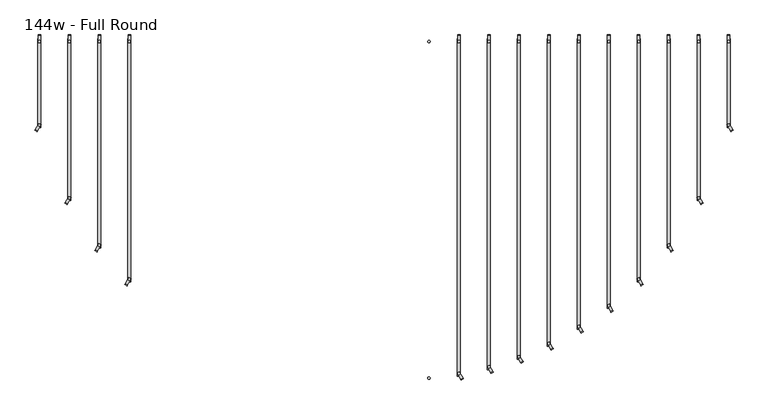
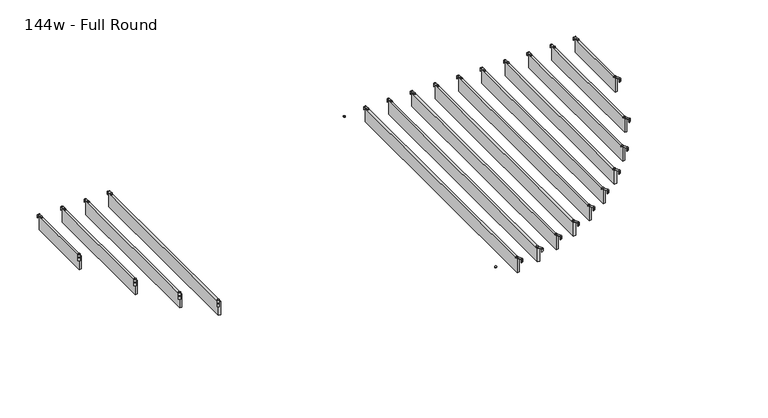
"""IFC4 building model written with IfcOpenShell, lengths in millimetres: furniture geometry, 144w - Full Round."""

from ifc_helpers import new_model, si_unit, point, frame, frame_2d, origin, place, context, project, spatial, polyline, circle_curve, trimmed, segment, composite_curve, outline, extrude, source, transform, mapped, element, save


def furniture_144w_full_round_fead727c(model_context):
    return source(origin(), model_context, "Body", "SweptSolid", [
        extrude(outline(composite_curve([segment(trimmed(circle_curve(frame_2d((-1.0160034, 0.0159998)), 1.016), [point((-1.0160034, -1.0000002))], [point((-3.4e-06, 0.0159998))], True, "CARTESIAN"), True, "CONTINUOUS"), segment(polyline([(-3.4e-06, 0.0159998), (-3.4e-06, 36.778517), (2.5329992, 36.778517), (2.5329992, 0.0229991)]), True, "CONTINUOUS"), segment(trimmed(circle_curve(frame_2d((-1.1500008, 0.0229991)), 3.683), [point((2.5329992, 0.0229991))], [point((-1.1500008, -3.660001))], False, "CARTESIAN"), True, "CONTINUOUS"), segment(polyline([(-1.1500008, -3.660001), (-19.0498319, -3.660001), (-19.0498319, -1.0000002), (-1.0160034, -1.0000002)]), True, "CONTINUOUS")], self_intersect=False)), frame((-1724.1208344, 1764.093626, 2438.4), z_axis=(-0.8660254037843622, 0.5000000000001326, 0.0), x_axis=(0.0, 0.0, 1.0)), (0.0, 0.0, 1.0), 13.0000002),
        extrude(outline(composite_curve([segment(trimmed(circle_curve(frame_2d((-1714.5, 2218.9346)), 5.9838099), [point((-1714.5, 2212.9507901))], [point((-1714.5, 2224.9184099))], False, "CARTESIAN"), True, "CONTINUOUS"), segment(trimmed(circle_curve(frame_2d((-1714.5, 2218.9346)), 5.9838099), [point((-1714.5, 2224.9184099))], [point((-1714.5, 2212.9507901))], False, "CARTESIAN"), True, "CONTINUOUS")], self_intersect=False)), frame((0.0, 0.0, 2440.9329992), z_axis=(0.0, 0.0, 1.0), x_axis=(1.0, 0.0, 0.0)), (0.0, 0.0, 1.0), 3.4400008),
        extrude(outline(composite_curve([segment(trimmed(circle_curve(frame_2d((-1714.5, 1793.7574)), 5.9838099), [point((-1714.5, 1799.7412099))], [point((-1714.5, 1787.7735901))], False, "CARTESIAN"), True, "CONTINUOUS"), segment(trimmed(circle_curve(frame_2d((-1714.5, 1793.7574)), 5.9838099), [point((-1714.5, 1787.7735901))], [point((-1714.5, 1799.7412099))], False, "CARTESIAN"), True, "CONTINUOUS")], self_intersect=False)), frame((0.0, 0.0, 2440.9329992), z_axis=(0.0, 0.0, 1.0), x_axis=(1.0, 0.0, 0.0)), (0.0, 0.0, 1.0), 3.4400008),
        extrude(outline(composite_curve([segment(polyline([(2253.0946, 2419.2231711), (2250.4345993, 2419.2231711), (2250.4345993, 2437.2635571)]), True, "CONTINUOUS"), segment(trimmed(circle_curve(frame_2d((2249.4251568, 2437.2635571)), 1.0094425), [point((2250.4345993, 2437.2635571))], [point((2249.4251568, 2438.2729997))], True, "CARTESIAN"), True, "CONTINUOUS"), segment(polyline([(2249.4251568, 2438.2729997), (2212.4346, 2438.2729997), (2212.4346, 2440.9329992), (2249.4116, 2440.9329992)]), True, "CONTINUOUS"), segment(trimmed(circle_curve(frame_2d((2249.4116, 2437.2499992)), 3.683), [point((2249.4116, 2440.9329992))], [point((2253.0946, 2437.2499992))], False, "CARTESIAN"), True, "CONTINUOUS"), segment(polyline([(2253.0946, 2437.2499992), (2253.0946, 2419.2231711)]), True, "CONTINUOUS")], self_intersect=False)), frame((-1720.9930003, 0.0, 0.0), z_axis=(1.0, 0.0, 0.0), x_axis=(0.0, 1.0, 0.0)), (0.0, 0.0, 1.0), 13.0),
        extrude(outline(polyline([(-1721.993, 1780.0574), (-1721.993, 2232.6346), (-1707.007, 2232.6346), (-1707.007, 1780.0574), (-1721.993, 1780.0574)])), frame((0.0, 0.0, 2346.198), z_axis=(0.0, 0.0, 1.0), x_axis=(1.0, 0.0, 0.0)), (0.0, 0.0, 1.0), 92.202),
        extrude(outline(composite_curve([segment(trimmed(circle_curve(frame_2d((-1.0160034, 0.0159998)), 1.016), [point((-1.0160034, -1.0000002))], [point((-3.4e-06, 0.0159998))], True, "CARTESIAN"), True, "CONTINUOUS"), segment(polyline([(-3.4e-06, 0.0159998), (-3.4e-06, 36.778517), (2.5329992, 36.778517), (2.5329992, 0.0229991)]), True, "CONTINUOUS"), segment(trimmed(circle_curve(frame_2d((-1.1500008, 0.0229991)), 3.683), [point((2.5329992, 0.0229991))], [point((-1.1500008, -3.660001))], False, "CARTESIAN"), True, "CONTINUOUS"), segment(polyline([(-1.1500008, -3.660001), (-19.0498319, -3.660001), (-19.0498319, -1.0000002), (-1.0160034, -1.0000002)]), True, "CONTINUOUS")], self_intersect=False)), frame((-1571.7208344, 1392.618626, 2438.4), z_axis=(-0.8660254037843622, 0.5000000000001326, 0.0), x_axis=(0.0, 0.0, 1.0)), (0.0, 0.0, 1.0), 13.0000002),
        extrude(outline(composite_curve([segment(trimmed(circle_curve(frame_2d((-1562.1, 2218.9346)), 5.9838099), [point((-1562.1, 2212.9507901))], [point((-1562.1, 2224.9184099))], False, "CARTESIAN"), True, "CONTINUOUS"), segment(trimmed(circle_curve(frame_2d((-1562.1, 2218.9346)), 5.9838099), [point((-1562.1, 2224.9184099))], [point((-1562.1, 2212.9507901))], False, "CARTESIAN"), True, "CONTINUOUS")], self_intersect=False)), frame((0.0, 0.0, 2440.9329992), z_axis=(0.0, 0.0, 1.0), x_axis=(1.0, 0.0, 0.0)), (0.0, 0.0, 1.0), 3.4400008),
        extrude(outline(composite_curve([segment(trimmed(circle_curve(frame_2d((-1562.1, 1422.2824)), 5.9838099), [point((-1562.1, 1428.2662099))], [point((-1562.1, 1416.2985901))], False, "CARTESIAN"), True, "CONTINUOUS"), segment(trimmed(circle_curve(frame_2d((-1562.1, 1422.2824)), 5.9838099), [point((-1562.1, 1416.2985901))], [point((-1562.1, 1428.2662099))], False, "CARTESIAN"), True, "CONTINUOUS")], self_intersect=False)), frame((0.0, 0.0, 2440.9329992), z_axis=(0.0, 0.0, 1.0), x_axis=(1.0, 0.0, 0.0)), (0.0, 0.0, 1.0), 3.4400008),
        extrude(outline(composite_curve([segment(polyline([(2253.0946, 2419.2231711), (2250.4345993, 2419.2231711), (2250.4345993, 2437.2635571)]), True, "CONTINUOUS"), segment(trimmed(circle_curve(frame_2d((2249.4251568, 2437.2635571)), 1.0094425), [point((2250.4345993, 2437.2635571))], [point((2249.4251568, 2438.2729997))], True, "CARTESIAN"), True, "CONTINUOUS"), segment(polyline([(2249.4251568, 2438.2729997), (2212.4346, 2438.2729997), (2212.4346, 2440.9329992), (2249.4116, 2440.9329992)]), True, "CONTINUOUS"), segment(trimmed(circle_curve(frame_2d((2249.4116, 2437.2499992)), 3.683), [point((2249.4116, 2440.9329992))], [point((2253.0946, 2437.2499992))], False, "CARTESIAN"), True, "CONTINUOUS"), segment(polyline([(2253.0946, 2437.2499992), (2253.0946, 2419.2231711)]), True, "CONTINUOUS")], self_intersect=False)), frame((-1568.5930003, 0.0, 0.0), z_axis=(1.0, 0.0, 0.0), x_axis=(0.0, 1.0, 0.0)), (0.0, 0.0, 1.0), 13.0),
        extrude(outline(polyline([(-1569.593, 1408.5824), (-1569.593, 2232.6346), (-1554.607, 2232.6346), (-1554.607, 1408.5824), (-1569.593, 1408.5824)])), frame((0.0, 0.0, 2346.198), z_axis=(0.0, 0.0, 1.0), x_axis=(1.0, 0.0, 0.0)), (0.0, 0.0, 1.0), 92.202),
        extrude(outline(composite_curve([segment(trimmed(circle_curve(frame_2d((-1.0160034, 0.0159998)), 1.016), [point((-1.0160034, -1.0000002))], [point((-3.4e-06, 0.0159998))], True, "CARTESIAN"), True, "CONTINUOUS"), segment(polyline([(-3.4e-06, 0.0159998), (-3.4e-06, 36.778517), (2.5329992, 36.778517), (2.5329992, 0.0229991)]), True, "CONTINUOUS"), segment(trimmed(circle_curve(frame_2d((-1.1500008, 0.0229991)), 3.683), [point((2.5329992, 0.0229991))], [point((-1.1500008, -3.660001))], False, "CARTESIAN"), True, "CONTINUOUS"), segment(polyline([(-1.1500008, -3.660001), (-19.0498319, -3.660001), (-19.0498319, -1.0000002), (-1.0160034, -1.0000002)]), True, "CONTINUOUS")], self_intersect=False)), frame((-1419.3208344, 1152.131426, 2438.4), z_axis=(-0.8660254037843622, 0.5000000000001326, 0.0), x_axis=(0.0, 0.0, 1.0)), (0.0, 0.0, 1.0), 13.0000002),
        extrude(outline(composite_curve([segment(trimmed(circle_curve(frame_2d((-1409.7, 2218.9346)), 5.9838099), [point((-1409.7, 2212.9507901))], [point((-1409.7, 2224.9184099))], False, "CARTESIAN"), True, "CONTINUOUS"), segment(trimmed(circle_curve(frame_2d((-1409.7, 2218.9346)), 5.9838099), [point((-1409.7, 2224.9184099))], [point((-1409.7, 2212.9507901))], False, "CARTESIAN"), True, "CONTINUOUS")], self_intersect=False)), frame((0.0, 0.0, 2440.9329992), z_axis=(0.0, 0.0, 1.0), x_axis=(1.0, 0.0, 0.0)), (0.0, 0.0, 1.0), 3.4400008),
        extrude(outline(composite_curve([segment(trimmed(circle_curve(frame_2d((-1409.7, 1181.7952)), 5.9838099), [point((-1409.7, 1187.7790099))], [point((-1409.7, 1175.8113901))], False, "CARTESIAN"), True, "CONTINUOUS"), segment(trimmed(circle_curve(frame_2d((-1409.7, 1181.7952)), 5.9838099), [point((-1409.7, 1175.8113901))], [point((-1409.7, 1187.7790099))], False, "CARTESIAN"), True, "CONTINUOUS")], self_intersect=False)), frame((0.0, 0.0, 2440.9329992), z_axis=(0.0, 0.0, 1.0), x_axis=(1.0, 0.0, 0.0)), (0.0, 0.0, 1.0), 3.4400008),
        extrude(outline(composite_curve([segment(polyline([(2253.0946, 2419.2231711), (2250.4345993, 2419.2231711), (2250.4345993, 2437.2635571)]), True, "CONTINUOUS"), segment(trimmed(circle_curve(frame_2d((2249.4251568, 2437.2635571)), 1.0094425), [point((2250.4345993, 2437.2635571))], [point((2249.4251568, 2438.2729997))], True, "CARTESIAN"), True, "CONTINUOUS"), segment(polyline([(2249.4251568, 2438.2729997), (2212.4346, 2438.2729997), (2212.4346, 2440.9329992), (2249.4116, 2440.9329992)]), True, "CONTINUOUS"), segment(trimmed(circle_curve(frame_2d((2249.4116, 2437.2499992)), 3.683), [point((2249.4116, 2440.9329992))], [point((2253.0946, 2437.2499992))], False, "CARTESIAN"), True, "CONTINUOUS"), segment(polyline([(2253.0946, 2437.2499992), (2253.0946, 2419.2231711)]), True, "CONTINUOUS")], self_intersect=False)), frame((-1416.1930003, 0.0, 0.0), z_axis=(1.0, 0.0, 0.0), x_axis=(0.0, 1.0, 0.0)), (0.0, 0.0, 1.0), 13.0),
        extrude(outline(polyline([(-1417.193, 1168.0952), (-1417.193, 2232.6346), (-1402.207, 2232.6346), (-1402.207, 1168.0952), (-1417.193, 1168.0952)])), frame((0.0, 0.0, 2346.198), z_axis=(0.0, 0.0, 1.0), x_axis=(1.0, 0.0, 0.0)), (0.0, 0.0, 1.0), 92.202),
        extrude(outline(composite_curve([segment(trimmed(circle_curve(frame_2d((-1.0160034, 0.0159998)), 1.016), [point((-1.0160034, -1.0000002))], [point((-3.4e-06, 0.0159998))], True, "CARTESIAN"), True, "CONTINUOUS"), segment(polyline([(-3.4e-06, 0.0159998), (-3.4e-06, 36.778517), (2.5329992, 36.778517), (2.5329992, 0.0229991)]), True, "CONTINUOUS"), segment(trimmed(circle_curve(frame_2d((-1.1500008, 0.0229991)), 3.683), [point((2.5329992, 0.0229991))], [point((-1.1500008, -3.660001))], False, "CARTESIAN"), True, "CONTINUOUS"), segment(polyline([(-1.1500008, -3.660001), (-19.0498319, -3.660001), (-19.0498319, -1.0000002), (-1.0160034, -1.0000002)]), True, "CONTINUOUS")], self_intersect=False)), frame((-1266.9208344, 978.827226, 2438.4), z_axis=(-0.8660254037843622, 0.5000000000001326, 0.0), x_axis=(0.0, 0.0, 1.0)), (0.0, 0.0, 1.0), 13.0000002),
        extrude(outline(composite_curve([segment(trimmed(circle_curve(frame_2d((-1257.3, 2218.9346)), 5.9838099), [point((-1257.3, 2212.9507901))], [point((-1257.3, 2224.9184099))], False, "CARTESIAN"), True, "CONTINUOUS"), segment(trimmed(circle_curve(frame_2d((-1257.3, 2218.9346)), 5.9838099), [point((-1257.3, 2224.9184099))], [point((-1257.3, 2212.9507901))], False, "CARTESIAN"), True, "CONTINUOUS")], self_intersect=False)), frame((0.0, 0.0, 2440.9329992), z_axis=(0.0, 0.0, 1.0), x_axis=(1.0, 0.0, 0.0)), (0.0, 0.0, 1.0), 3.4400008),
        extrude(outline(composite_curve([segment(trimmed(circle_curve(frame_2d((-1257.3, 1008.491)), 5.9838099), [point((-1257.3, 1014.4748099))], [point((-1257.3, 1002.5071901))], False, "CARTESIAN"), True, "CONTINUOUS"), segment(trimmed(circle_curve(frame_2d((-1257.3, 1008.491)), 5.9838099), [point((-1257.3, 1002.5071901))], [point((-1257.3, 1014.4748099))], False, "CARTESIAN"), True, "CONTINUOUS")], self_intersect=False)), frame((0.0, 0.0, 2440.9329992), z_axis=(0.0, 0.0, 1.0), x_axis=(1.0, 0.0, 0.0)), (0.0, 0.0, 1.0), 3.4400008),
        extrude(outline(composite_curve([segment(polyline([(2253.0946, 2419.2231711), (2250.4345993, 2419.2231711), (2250.4345993, 2437.2635571)]), True, "CONTINUOUS"), segment(trimmed(circle_curve(frame_2d((2249.4251568, 2437.2635571)), 1.0094425), [point((2250.4345993, 2437.2635571))], [point((2249.4251568, 2438.2729997))], True, "CARTESIAN"), True, "CONTINUOUS"), segment(polyline([(2249.4251568, 2438.2729997), (2212.4346, 2438.2729997), (2212.4346, 2440.9329992), (2249.4116, 2440.9329992)]), True, "CONTINUOUS"), segment(trimmed(circle_curve(frame_2d((2249.4116, 2437.2499992)), 3.683), [point((2249.4116, 2440.9329992))], [point((2253.0946, 2437.2499992))], False, "CARTESIAN"), True, "CONTINUOUS"), segment(polyline([(2253.0946, 2437.2499992), (2253.0946, 2419.2231711)]), True, "CONTINUOUS")], self_intersect=False)), frame((-1263.7930003, 0.0, 0.0), z_axis=(1.0, 0.0, 0.0), x_axis=(0.0, 1.0, 0.0)), (0.0, 0.0, 1.0), 13.0),
        extrude(outline(polyline([(-1264.793, 994.791), (-1264.793, 2232.6346), (-1249.807, 2232.6346), (-1249.807, 994.791), (-1264.793, 994.791)])), frame((0.0, 0.0, 2346.198), z_axis=(0.0, 0.0, 1.0), x_axis=(1.0, 0.0, 0.0)), (0.0, 0.0, 1.0), 92.202),
        extrude(outline(composite_curve([segment(polyline([(-1.0160034, 1.0000002), (-19.0498319, 1.0000002), (-19.0498319, 3.660001), (-1.1500008, 3.660001)]), True, "CONTINUOUS"), segment(trimmed(circle_curve(frame_2d((-1.1500008, -0.0229991)), 3.683), [point((-1.1500008, 3.660001))], [point((2.5329992, -0.0229991))], False, "CARTESIAN"), True, "CONTINUOUS"), segment(polyline([(2.5329992, -0.0229991), (2.5329992, -36.778517), (-3.4e-06, -36.778517), (-3.4e-06, -0.0159998)]), True, "CONTINUOUS"), segment(trimmed(circle_curve(frame_2d((-1.0160034, -0.0159998)), 1.016), [point((-3.4e-06, -0.0159998))], [point((-1.0160034, 1.0000002))], True, "CARTESIAN"), True, "CONTINUOUS")], self_intersect=False)), frame((1800.3208344, 1764.093626, 2438.4), z_axis=(0.8660254037843622, 0.5000000000001326, 0.0), x_axis=(0.0, 0.0, 1.0)), (0.0, 0.0, 1.0), 13.0000002),
        extrude(outline(composite_curve([segment(trimmed(circle_curve(frame_2d((1790.7, 2218.9346)), 5.9838099), [point((1790.7, 2212.9507901))], [point((1790.7, 2224.9184099))], False, "CARTESIAN"), True, "CONTINUOUS"), segment(trimmed(circle_curve(frame_2d((1790.7, 2218.9346)), 5.9838099), [point((1790.7, 2224.9184099))], [point((1790.7, 2212.9507901))], False, "CARTESIAN"), True, "CONTINUOUS")], self_intersect=False)), frame((0.0, 0.0, 2440.9329992), z_axis=(0.0, 0.0, 1.0), x_axis=(1.0, 0.0, 0.0)), (0.0, 0.0, 1.0), 3.4400008),
        extrude(outline(composite_curve([segment(trimmed(circle_curve(frame_2d((1790.7, 1793.7574)), 5.9838099), [point((1790.7, 1799.7412099))], [point((1790.7, 1787.7735901))], False, "CARTESIAN"), True, "CONTINUOUS"), segment(trimmed(circle_curve(frame_2d((1790.7, 1793.7574)), 5.9838099), [point((1790.7, 1787.7735901))], [point((1790.7, 1799.7412099))], False, "CARTESIAN"), True, "CONTINUOUS")], self_intersect=False)), frame((0.0, 0.0, 2440.9329992), z_axis=(0.0, 0.0, 1.0), x_axis=(1.0, 0.0, 0.0)), (0.0, 0.0, 1.0), 3.4400008),
        extrude(outline(composite_curve([segment(polyline([(2253.0946, 2419.2231711), (2250.4345993, 2419.2231711), (2250.4345993, 2437.2635571)]), True, "CONTINUOUS"), segment(trimmed(circle_curve(frame_2d((2249.4251568, 2437.2635571)), 1.0094425), [point((2250.4345993, 2437.2635571))], [point((2249.4251568, 2438.2729997))], True, "CARTESIAN"), True, "CONTINUOUS"), segment(polyline([(2249.4251568, 2438.2729997), (2212.4346, 2438.2729997), (2212.4346, 2440.9329992), (2249.4116, 2440.9329992)]), True, "CONTINUOUS"), segment(trimmed(circle_curve(frame_2d((2249.4116, 2437.2499992)), 3.683), [point((2249.4116, 2440.9329992))], [point((2253.0946, 2437.2499992))], False, "CARTESIAN"), True, "CONTINUOUS"), segment(polyline([(2253.0946, 2437.2499992), (2253.0946, 2419.2231711)]), True, "CONTINUOUS")], self_intersect=False)), frame((1784.1930003, 0.0, 0.0), z_axis=(1.0, 0.0, 0.0), x_axis=(0.0, 1.0, 0.0)), (0.0, 0.0, 1.0), 13.0),
        extrude(outline(polyline([(1798.193, 1780.0574), (1783.207, 1780.0574), (1783.207, 2232.6346), (1798.193, 2232.6346), (1798.193, 1780.0574)])), frame((0.0, 0.0, 2346.198), z_axis=(0.0, 0.0, 1.0), x_axis=(1.0, 0.0, 0.0)), (0.0, 0.0, 1.0), 92.202),
        extrude(outline(composite_curve([segment(polyline([(-1.0160034, 1.0000002), (-19.0498319, 1.0000002), (-19.0498319, 3.660001), (-1.1500008, 3.660001)]), True, "CONTINUOUS"), segment(trimmed(circle_curve(frame_2d((-1.1500008, -0.0229991)), 3.683), [point((-1.1500008, 3.660001))], [point((2.5329992, -0.0229991))], False, "CARTESIAN"), True, "CONTINUOUS"), segment(polyline([(2.5329992, -0.0229991), (2.5329992, -36.778517), (-3.4e-06, -36.778517), (-3.4e-06, -0.0159998)]), True, "CONTINUOUS"), segment(trimmed(circle_curve(frame_2d((-1.0160034, -0.0159998)), 1.016), [point((-3.4e-06, -0.0159998))], [point((-1.0160034, 1.0000002))], True, "CARTESIAN"), True, "CONTINUOUS")], self_intersect=False)), frame((1647.9208344, 1392.618626, 2438.4), z_axis=(0.8660254037843622, 0.5000000000001326, 0.0), x_axis=(0.0, 0.0, 1.0)), (0.0, 0.0, 1.0), 13.0000002),
        extrude(outline(composite_curve([segment(trimmed(circle_curve(frame_2d((1638.3, 2218.9346)), 5.9838099), [point((1638.3, 2212.9507901))], [point((1638.3, 2224.9184099))], False, "CARTESIAN"), True, "CONTINUOUS"), segment(trimmed(circle_curve(frame_2d((1638.3, 2218.9346)), 5.9838099), [point((1638.3, 2224.9184099))], [point((1638.3, 2212.9507901))], False, "CARTESIAN"), True, "CONTINUOUS")], self_intersect=False)), frame((0.0, 0.0, 2440.9329992), z_axis=(0.0, 0.0, 1.0), x_axis=(1.0, 0.0, 0.0)), (0.0, 0.0, 1.0), 3.4400008),
        extrude(outline(composite_curve([segment(trimmed(circle_curve(frame_2d((1638.3, 1422.2824)), 5.9838099), [point((1638.3, 1428.2662099))], [point((1638.3, 1416.2985901))], False, "CARTESIAN"), True, "CONTINUOUS"), segment(trimmed(circle_curve(frame_2d((1638.3, 1422.2824)), 5.9838099), [point((1638.3, 1416.2985901))], [point((1638.3, 1428.2662099))], False, "CARTESIAN"), True, "CONTINUOUS")], self_intersect=False)), frame((0.0, 0.0, 2440.9329992), z_axis=(0.0, 0.0, 1.0), x_axis=(1.0, 0.0, 0.0)), (0.0, 0.0, 1.0), 3.4400008),
        extrude(outline(composite_curve([segment(polyline([(2253.0946, 2419.2231711), (2250.4345993, 2419.2231711), (2250.4345993, 2437.2635571)]), True, "CONTINUOUS"), segment(trimmed(circle_curve(frame_2d((2249.4251568, 2437.2635571)), 1.0094425), [point((2250.4345993, 2437.2635571))], [point((2249.4251568, 2438.2729997))], True, "CARTESIAN"), True, "CONTINUOUS"), segment(polyline([(2249.4251568, 2438.2729997), (2212.4346, 2438.2729997), (2212.4346, 2440.9329992), (2249.4116, 2440.9329992)]), True, "CONTINUOUS"), segment(trimmed(circle_curve(frame_2d((2249.4116, 2437.2499992)), 3.683), [point((2249.4116, 2440.9329992))], [point((2253.0946, 2437.2499992))], False, "CARTESIAN"), True, "CONTINUOUS"), segment(polyline([(2253.0946, 2437.2499992), (2253.0946, 2419.2231711)]), True, "CONTINUOUS")], self_intersect=False)), frame((1631.7930003, 0.0, 0.0), z_axis=(1.0, 0.0, 0.0), x_axis=(0.0, 1.0, 0.0)), (0.0, 0.0, 1.0), 13.0),
        extrude(outline(polyline([(1645.793, 1408.5824), (1630.807, 1408.5824), (1630.807, 2232.6346), (1645.793, 2232.6346), (1645.793, 1408.5824)])), frame((0.0, 0.0, 2346.198), z_axis=(0.0, 0.0, 1.0), x_axis=(1.0, 0.0, 0.0)), (0.0, 0.0, 1.0), 92.202),
        extrude(outline(composite_curve([segment(polyline([(-1.0160034, 1.0000002), (-19.0498319, 1.0000002), (-19.0498319, 3.660001), (-1.1500008, 3.660001)]), True, "CONTINUOUS"), segment(trimmed(circle_curve(frame_2d((-1.1500008, -0.0229991)), 3.683), [point((-1.1500008, 3.660001))], [point((2.5329992, -0.0229991))], False, "CARTESIAN"), True, "CONTINUOUS"), segment(polyline([(2.5329992, -0.0229991), (2.5329992, -36.778517), (-3.4e-06, -36.778517), (-3.4e-06, -0.0159998)]), True, "CONTINUOUS"), segment(trimmed(circle_curve(frame_2d((-1.0160034, -0.0159998)), 1.016), [point((-3.4e-06, -0.0159998))], [point((-1.0160034, 1.0000002))], True, "CARTESIAN"), True, "CONTINUOUS")], self_intersect=False)), frame((1495.5208344, 1152.131426, 2438.4), z_axis=(0.8660254037843622, 0.5000000000001326, 0.0), x_axis=(0.0, 0.0, 1.0)), (0.0, 0.0, 1.0), 13.0000002),
        extrude(outline(composite_curve([segment(trimmed(circle_curve(frame_2d((1485.9, 2218.9346)), 5.9838099), [point((1485.9, 2212.9507901))], [point((1485.9, 2224.9184099))], False, "CARTESIAN"), True, "CONTINUOUS"), segment(trimmed(circle_curve(frame_2d((1485.9, 2218.9346)), 5.9838099), [point((1485.9, 2224.9184099))], [point((1485.9, 2212.9507901))], False, "CARTESIAN"), True, "CONTINUOUS")], self_intersect=False)), frame((0.0, 0.0, 2440.9329992), z_axis=(0.0, 0.0, 1.0), x_axis=(1.0, 0.0, 0.0)), (0.0, 0.0, 1.0), 3.4400008),
        extrude(outline(composite_curve([segment(trimmed(circle_curve(frame_2d((1485.9, 1181.7952)), 5.9838099), [point((1485.9, 1187.7790099))], [point((1485.9, 1175.8113901))], False, "CARTESIAN"), True, "CONTINUOUS"), segment(trimmed(circle_curve(frame_2d((1485.9, 1181.7952)), 5.9838099), [point((1485.9, 1175.8113901))], [point((1485.9, 1187.7790099))], False, "CARTESIAN"), True, "CONTINUOUS")], self_intersect=False)), frame((0.0, 0.0, 2440.9329992), z_axis=(0.0, 0.0, 1.0), x_axis=(1.0, 0.0, 0.0)), (0.0, 0.0, 1.0), 3.4400008),
        extrude(outline(composite_curve([segment(polyline([(2253.0946, 2419.2231711), (2250.4345993, 2419.2231711), (2250.4345993, 2437.2635571)]), True, "CONTINUOUS"), segment(trimmed(circle_curve(frame_2d((2249.4251568, 2437.2635571)), 1.0094425), [point((2250.4345993, 2437.2635571))], [point((2249.4251568, 2438.2729997))], True, "CARTESIAN"), True, "CONTINUOUS"), segment(polyline([(2249.4251568, 2438.2729997), (2212.4346, 2438.2729997), (2212.4346, 2440.9329992), (2249.4116, 2440.9329992)]), True, "CONTINUOUS"), segment(trimmed(circle_curve(frame_2d((2249.4116, 2437.2499992)), 3.683), [point((2249.4116, 2440.9329992))], [point((2253.0946, 2437.2499992))], False, "CARTESIAN"), True, "CONTINUOUS"), segment(polyline([(2253.0946, 2437.2499992), (2253.0946, 2419.2231711)]), True, "CONTINUOUS")], self_intersect=False)), frame((1479.3930003, 0.0, 0.0), z_axis=(1.0, 0.0, 0.0), x_axis=(0.0, 1.0, 0.0)), (0.0, 0.0, 1.0), 13.0),
        extrude(outline(polyline([(1493.393, 1168.0952), (1478.407, 1168.0952), (1478.407, 2232.6346), (1493.393, 2232.6346), (1493.393, 1168.0952)])), frame((0.0, 0.0, 2346.198), z_axis=(0.0, 0.0, 1.0), x_axis=(1.0, 0.0, 0.0)), (0.0, 0.0, 1.0), 92.202),
        extrude(outline(composite_curve([segment(polyline([(-1.0160034, 1.0000002), (-19.0498319, 1.0000002), (-19.0498319, 3.660001), (-1.1500008, 3.660001)]), True, "CONTINUOUS"), segment(trimmed(circle_curve(frame_2d((-1.1500008, -0.0229991)), 3.683), [point((-1.1500008, 3.660001))], [point((2.5329992, -0.0229991))], False, "CARTESIAN"), True, "CONTINUOUS"), segment(polyline([(2.5329992, -0.0229991), (2.5329992, -36.778517), (-3.4e-06, -36.778517), (-3.4e-06, -0.0159998)]), True, "CONTINUOUS"), segment(trimmed(circle_curve(frame_2d((-1.0160034, -0.0159998)), 1.016), [point((-3.4e-06, -0.0159998))], [point((-1.0160034, 1.0000002))], True, "CARTESIAN"), True, "CONTINUOUS")], self_intersect=False)), frame((1343.1208344, 978.827226, 2438.4), z_axis=(0.8660254037843622, 0.5000000000001326, 0.0), x_axis=(0.0, 0.0, 1.0)), (0.0, 0.0, 1.0), 13.0000002),
        extrude(outline(composite_curve([segment(trimmed(circle_curve(frame_2d((1333.5, 2218.9346)), 5.9838099), [point((1333.5, 2212.9507901))], [point((1333.5, 2224.9184099))], False, "CARTESIAN"), True, "CONTINUOUS"), segment(trimmed(circle_curve(frame_2d((1333.5, 2218.9346)), 5.9838099), [point((1333.5, 2224.9184099))], [point((1333.5, 2212.9507901))], False, "CARTESIAN"), True, "CONTINUOUS")], self_intersect=False)), frame((0.0, 0.0, 2440.9329992), z_axis=(0.0, 0.0, 1.0), x_axis=(1.0, 0.0, 0.0)), (0.0, 0.0, 1.0), 3.4400008),
        extrude(outline(composite_curve([segment(trimmed(circle_curve(frame_2d((1333.5, 1008.491)), 5.9838099), [point((1333.5, 1014.4748099))], [point((1333.5, 1002.5071901))], False, "CARTESIAN"), True, "CONTINUOUS"), segment(trimmed(circle_curve(frame_2d((1333.5, 1008.491)), 5.9838099), [point((1333.5, 1002.5071901))], [point((1333.5, 1014.4748099))], False, "CARTESIAN"), True, "CONTINUOUS")], self_intersect=False)), frame((0.0, 0.0, 2440.9329992), z_axis=(0.0, 0.0, 1.0), x_axis=(1.0, 0.0, 0.0)), (0.0, 0.0, 1.0), 3.4400008),
        extrude(outline(composite_curve([segment(polyline([(2253.0946, 2419.2231711), (2250.4345993, 2419.2231711), (2250.4345993, 2437.2635571)]), True, "CONTINUOUS"), segment(trimmed(circle_curve(frame_2d((2249.4251568, 2437.2635571)), 1.0094425), [point((2250.4345993, 2437.2635571))], [point((2249.4251568, 2438.2729997))], True, "CARTESIAN"), True, "CONTINUOUS"), segment(polyline([(2249.4251568, 2438.2729997), (2212.4346, 2438.2729997), (2212.4346, 2440.9329992), (2249.4116, 2440.9329992)]), True, "CONTINUOUS"), segment(trimmed(circle_curve(frame_2d((2249.4116, 2437.2499992)), 3.683), [point((2249.4116, 2440.9329992))], [point((2253.0946, 2437.2499992))], False, "CARTESIAN"), True, "CONTINUOUS"), segment(polyline([(2253.0946, 2437.2499992), (2253.0946, 2419.2231711)]), True, "CONTINUOUS")], self_intersect=False)), frame((1326.9930003, 0.0, 0.0), z_axis=(1.0, 0.0, 0.0), x_axis=(0.0, 1.0, 0.0)), (0.0, 0.0, 1.0), 13.0),
        extrude(outline(polyline([(1340.993, 994.791), (1326.007, 994.791), (1326.007, 2232.6346), (1340.993, 2232.6346), (1340.993, 994.791)])), frame((0.0, 0.0, 2346.198), z_axis=(0.0, 0.0, 1.0), x_axis=(1.0, 0.0, 0.0)), (0.0, 0.0, 1.0), 92.202),
        extrude(outline(composite_curve([segment(polyline([(-1.0160034, 1.0000002), (-19.0498319, 1.0000002), (-19.0498319, 3.660001), (-1.1500008, 3.660001)]), True, "CONTINUOUS"), segment(trimmed(circle_curve(frame_2d((-1.1500008, -0.0229991)), 3.683), [point((-1.1500008, 3.660001))], [point((2.5329992, -0.0229991))], False, "CARTESIAN"), True, "CONTINUOUS"), segment(polyline([(2.5329992, -0.0229991), (2.5329992, -36.778517), (-3.4e-06, -36.778517), (-3.4e-06, -0.0159998)]), True, "CONTINUOUS"), segment(trimmed(circle_curve(frame_2d((-1.0160034, -0.0159998)), 1.016), [point((-3.4e-06, -0.0159998))], [point((-1.0160034, 1.0000002))], True, "CARTESIAN"), True, "CONTINUOUS")], self_intersect=False)), frame((1190.7208344, 844.156426, 2438.4), z_axis=(0.8660254037843622, 0.5000000000001326, 0.0), x_axis=(0.0, 0.0, 1.0)), (0.0, 0.0, 1.0), 13.0000002),
        extrude(outline(composite_curve([segment(trimmed(circle_curve(frame_2d((1181.1, 2218.9346)), 5.9838099), [point((1181.1, 2212.9507901))], [point((1181.1, 2224.9184099))], False, "CARTESIAN"), True, "CONTINUOUS"), segment(trimmed(circle_curve(frame_2d((1181.1, 2218.9346)), 5.9838099), [point((1181.1, 2224.9184099))], [point((1181.1, 2212.9507901))], False, "CARTESIAN"), True, "CONTINUOUS")], self_intersect=False)), frame((0.0, 0.0, 2440.9329992), z_axis=(0.0, 0.0, 1.0), x_axis=(1.0, 0.0, 0.0)), (0.0, 0.0, 1.0), 3.4400008),
        extrude(outline(composite_curve([segment(trimmed(circle_curve(frame_2d((1181.1, 873.8202)), 5.9838099), [point((1181.1, 879.8040099))], [point((1181.1, 867.8363901))], False, "CARTESIAN"), True, "CONTINUOUS"), segment(trimmed(circle_curve(frame_2d((1181.1, 873.8202)), 5.9838099), [point((1181.1, 867.8363901))], [point((1181.1, 879.8040099))], False, "CARTESIAN"), True, "CONTINUOUS")], self_intersect=False)), frame((0.0, 0.0, 2440.9329992), z_axis=(0.0, 0.0, 1.0), x_axis=(1.0, 0.0, 0.0)), (0.0, 0.0, 1.0), 3.4400008),
        extrude(outline(composite_curve([segment(polyline([(2253.0946, 2419.2231711), (2250.4345993, 2419.2231711), (2250.4345993, 2437.2635571)]), True, "CONTINUOUS"), segment(trimmed(circle_curve(frame_2d((2249.4251568, 2437.2635571)), 1.0094425), [point((2250.4345993, 2437.2635571))], [point((2249.4251568, 2438.2729997))], True, "CARTESIAN"), True, "CONTINUOUS"), segment(polyline([(2249.4251568, 2438.2729997), (2212.4346, 2438.2729997), (2212.4346, 2440.9329992), (2249.4116, 2440.9329992)]), True, "CONTINUOUS"), segment(trimmed(circle_curve(frame_2d((2249.4116, 2437.2499992)), 3.683), [point((2249.4116, 2440.9329992))], [point((2253.0946, 2437.2499992))], False, "CARTESIAN"), True, "CONTINUOUS"), segment(polyline([(2253.0946, 2437.2499992), (2253.0946, 2419.2231711)]), True, "CONTINUOUS")], self_intersect=False)), frame((1174.5930003, 0.0, 0.0), z_axis=(1.0, 0.0, 0.0), x_axis=(0.0, 1.0, 0.0)), (0.0, 0.0, 1.0), 13.0),
        extrude(outline(polyline([(1188.593, 860.1202), (1173.607, 860.1202), (1173.607, 2232.6346), (1188.593, 2232.6346), (1188.593, 860.1202)])), frame((0.0, 0.0, 2346.198), z_axis=(0.0, 0.0, 1.0), x_axis=(1.0, 0.0, 0.0)), (0.0, 0.0, 1.0), 92.202),
        extrude(outline(composite_curve([segment(polyline([(-1.0160034, 1.0000002), (-19.0498319, 1.0000002), (-19.0498319, 3.660001), (-1.1500008, 3.660001)]), True, "CONTINUOUS"), segment(trimmed(circle_curve(frame_2d((-1.1500008, -0.0229991)), 3.683), [point((-1.1500008, 3.660001))], [point((2.5329992, -0.0229991))], False, "CARTESIAN"), True, "CONTINUOUS"), segment(polyline([(2.5329992, -0.0229991), (2.5329992, -36.778517), (-3.4e-06, -36.778517), (-3.4e-06, -0.0159998)]), True, "CONTINUOUS"), segment(trimmed(circle_curve(frame_2d((-1.0160034, -0.0159998)), 1.016), [point((-3.4e-06, -0.0159998))], [point((-1.0160034, 1.0000002))], True, "CARTESIAN"), True, "CONTINUOUS")], self_intersect=False)), frame((1038.3208344, 738.340026, 2438.4), z_axis=(0.8660254037843622, 0.5000000000001326, 0.0), x_axis=(0.0, 0.0, 1.0)), (0.0, 0.0, 1.0), 13.0000002),
        extrude(outline(composite_curve([segment(trimmed(circle_curve(frame_2d((1028.7, 2218.9346)), 5.9838099), [point((1028.7, 2212.9507901))], [point((1028.7, 2224.9184099))], False, "CARTESIAN"), True, "CONTINUOUS"), segment(trimmed(circle_curve(frame_2d((1028.7, 2218.9346)), 5.9838099), [point((1028.7, 2224.9184099))], [point((1028.7, 2212.9507901))], False, "CARTESIAN"), True, "CONTINUOUS")], self_intersect=False)), frame((0.0, 0.0, 2440.9329992), z_axis=(0.0, 0.0, 1.0), x_axis=(1.0, 0.0, 0.0)), (0.0, 0.0, 1.0), 3.4400008),
        extrude(outline(composite_curve([segment(trimmed(circle_curve(frame_2d((1028.7, 768.0038)), 5.9838099), [point((1028.7, 773.9876099))], [point((1028.7, 762.0199901))], False, "CARTESIAN"), True, "CONTINUOUS"), segment(trimmed(circle_curve(frame_2d((1028.7, 768.0038)), 5.9838099), [point((1028.7, 762.0199901))], [point((1028.7, 773.9876099))], False, "CARTESIAN"), True, "CONTINUOUS")], self_intersect=False)), frame((0.0, 0.0, 2440.9329992), z_axis=(0.0, 0.0, 1.0), x_axis=(1.0, 0.0, 0.0)), (0.0, 0.0, 1.0), 3.4400008),
        extrude(outline(composite_curve([segment(polyline([(2253.0946, 2419.2231711), (2250.4345993, 2419.2231711), (2250.4345993, 2437.2635571)]), True, "CONTINUOUS"), segment(trimmed(circle_curve(frame_2d((2249.4251568, 2437.2635571)), 1.0094425), [point((2250.4345993, 2437.2635571))], [point((2249.4251568, 2438.2729997))], True, "CARTESIAN"), True, "CONTINUOUS"), segment(polyline([(2249.4251568, 2438.2729997), (2212.4346, 2438.2729997), (2212.4346, 2440.9329992), (2249.4116, 2440.9329992)]), True, "CONTINUOUS"), segment(trimmed(circle_curve(frame_2d((2249.4116, 2437.2499992)), 3.683), [point((2249.4116, 2440.9329992))], [point((2253.0946, 2437.2499992))], False, "CARTESIAN"), True, "CONTINUOUS"), segment(polyline([(2253.0946, 2437.2499992), (2253.0946, 2419.2231711)]), True, "CONTINUOUS")], self_intersect=False)), frame((1022.1930003, 0.0, 0.0), z_axis=(1.0, 0.0, 0.0), x_axis=(0.0, 1.0, 0.0)), (0.0, 0.0, 1.0), 13.0),
        extrude(outline(polyline([(1036.193, 754.3038), (1021.207, 754.3038), (1021.207, 2232.6346), (1036.193, 2232.6346), (1036.193, 754.3038)])), frame((0.0, 0.0, 2346.198), z_axis=(0.0, 0.0, 1.0), x_axis=(1.0, 0.0, 0.0)), (0.0, 0.0, 1.0), 92.202),
        extrude(outline(composite_curve([segment(polyline([(-1.0160034, 1.0000002), (-19.0498319, 1.0000002), (-19.0498319, 3.660001), (-1.1500008, 3.660001)]), True, "CONTINUOUS"), segment(trimmed(circle_curve(frame_2d((-1.1500008, -0.0229991)), 3.683), [point((-1.1500008, 3.660001))], [point((2.5329992, -0.0229991))], False, "CARTESIAN"), True, "CONTINUOUS"), segment(polyline([(2.5329992, -0.0229991), (2.5329992, -36.778517), (-3.4e-06, -36.778517), (-3.4e-06, -0.0159998)]), True, "CONTINUOUS"), segment(trimmed(circle_curve(frame_2d((-1.0160034, -0.0159998)), 1.016), [point((-3.4e-06, -0.0159998))], [point((-1.0160034, 1.0000002))], True, "CARTESIAN"), True, "CONTINUOUS")], self_intersect=False)), frame((885.9208344, 651.446626, 2438.4), z_axis=(0.8660254037843622, 0.5000000000001326, 0.0), x_axis=(0.0, 0.0, 1.0)), (0.0, 0.0, 1.0), 13.0000002),
        extrude(outline(composite_curve([segment(trimmed(circle_curve(frame_2d((876.3, 2218.9346)), 5.9838099), [point((876.3, 2212.9507901))], [point((876.3, 2224.9184099))], False, "CARTESIAN"), True, "CONTINUOUS"), segment(trimmed(circle_curve(frame_2d((876.3, 2218.9346)), 5.9838099), [point((876.3, 2224.9184099))], [point((876.3, 2212.9507901))], False, "CARTESIAN"), True, "CONTINUOUS")], self_intersect=False)), frame((0.0, 0.0, 2440.9329992), z_axis=(0.0, 0.0, 1.0), x_axis=(1.0, 0.0, 0.0)), (0.0, 0.0, 1.0), 3.4400008),
        extrude(outline(composite_curve([segment(trimmed(circle_curve(frame_2d((876.3, 681.1104)), 5.9838099), [point((876.3, 687.0942099))], [point((876.3, 675.1265901))], False, "CARTESIAN"), True, "CONTINUOUS"), segment(trimmed(circle_curve(frame_2d((876.3, 681.1104)), 5.9838099), [point((876.3, 675.1265901))], [point((876.3, 687.0942099))], False, "CARTESIAN"), True, "CONTINUOUS")], self_intersect=False)), frame((0.0, 0.0, 2440.9329992), z_axis=(0.0, 0.0, 1.0), x_axis=(1.0, 0.0, 0.0)), (0.0, 0.0, 1.0), 3.4400008),
        extrude(outline(composite_curve([segment(polyline([(2253.0946, 2419.2231711), (2250.4345993, 2419.2231711), (2250.4345993, 2437.2635571)]), True, "CONTINUOUS"), segment(trimmed(circle_curve(frame_2d((2249.4251568, 2437.2635571)), 1.0094425), [point((2250.4345993, 2437.2635571))], [point((2249.4251568, 2438.2729997))], True, "CARTESIAN"), True, "CONTINUOUS"), segment(polyline([(2249.4251568, 2438.2729997), (2212.4346, 2438.2729997), (2212.4346, 2440.9329992), (2249.4116, 2440.9329992)]), True, "CONTINUOUS"), segment(trimmed(circle_curve(frame_2d((2249.4116, 2437.2499992)), 3.683), [point((2249.4116, 2440.9329992))], [point((2253.0946, 2437.2499992))], False, "CARTESIAN"), True, "CONTINUOUS"), segment(polyline([(2253.0946, 2437.2499992), (2253.0946, 2419.2231711)]), True, "CONTINUOUS")], self_intersect=False)), frame((869.7930003, 0.0, 0.0), z_axis=(1.0, 0.0, 0.0), x_axis=(0.0, 1.0, 0.0)), (0.0, 0.0, 1.0), 13.0),
        extrude(outline(polyline([(883.793, 667.4104), (868.807, 667.4104), (868.807, 2232.6346), (883.793, 2232.6346), (883.793, 667.4104)])), frame((0.0, 0.0, 2346.198), z_axis=(0.0, 0.0, 1.0), x_axis=(1.0, 0.0, 0.0)), (0.0, 0.0, 1.0), 92.202),
        extrude(outline(composite_curve([segment(polyline([(-1.0160034, 1.0000002), (-19.0498319, 1.0000002), (-19.0498319, 3.660001), (-1.1500008, 3.660001)]), True, "CONTINUOUS"), segment(trimmed(circle_curve(frame_2d((-1.1500008, -0.0229991)), 3.683), [point((-1.1500008, 3.660001))], [point((2.5329992, -0.0229991))], False, "CARTESIAN"), True, "CONTINUOUS"), segment(polyline([(2.5329992, -0.0229991), (2.5329992, -36.778517), (-3.4e-06, -36.778517), (-3.4e-06, -0.0159998)]), True, "CONTINUOUS"), segment(trimmed(circle_curve(frame_2d((-1.0160034, -0.0159998)), 1.016), [point((-3.4e-06, -0.0159998))], [point((-1.0160034, 1.0000002))], True, "CARTESIAN"), True, "CONTINUOUS")], self_intersect=False)), frame((733.5208344, 584.289026, 2438.4), z_axis=(0.8660254037843622, 0.5000000000001326, 0.0), x_axis=(0.0, 0.0, 1.0)), (0.0, 0.0, 1.0), 13.0000002),
        extrude(outline(composite_curve([segment(trimmed(circle_curve(frame_2d((723.9, 2218.9346)), 5.9838099), [point((723.9, 2212.9507901))], [point((723.9, 2224.9184099))], False, "CARTESIAN"), True, "CONTINUOUS"), segment(trimmed(circle_curve(frame_2d((723.9, 2218.9346)), 5.9838099), [point((723.9, 2224.9184099))], [point((723.9, 2212.9507901))], False, "CARTESIAN"), True, "CONTINUOUS")], self_intersect=False)), frame((0.0, 0.0, 2440.9329992), z_axis=(0.0, 0.0, 1.0), x_axis=(1.0, 0.0, 0.0)), (0.0, 0.0, 1.0), 3.4400008),
        extrude(outline(composite_curve([segment(trimmed(circle_curve(frame_2d((723.9, 613.9528)), 5.9838099), [point((723.9, 619.9366099))], [point((723.9, 607.9689901))], False, "CARTESIAN"), True, "CONTINUOUS"), segment(trimmed(circle_curve(frame_2d((723.9, 613.9528)), 5.9838099), [point((723.9, 607.9689901))], [point((723.9, 619.9366099))], False, "CARTESIAN"), True, "CONTINUOUS")], self_intersect=False)), frame((0.0, 0.0, 2440.9329992), z_axis=(0.0, 0.0, 1.0), x_axis=(1.0, 0.0, 0.0)), (0.0, 0.0, 1.0), 3.4400008),
        extrude(outline(composite_curve([segment(polyline([(2253.0946, 2419.2231711), (2250.4345993, 2419.2231711), (2250.4345993, 2437.2635571)]), True, "CONTINUOUS"), segment(trimmed(circle_curve(frame_2d((2249.4251568, 2437.2635571)), 1.0094425), [point((2250.4345993, 2437.2635571))], [point((2249.4251568, 2438.2729997))], True, "CARTESIAN"), True, "CONTINUOUS"), segment(polyline([(2249.4251568, 2438.2729997), (2212.4346, 2438.2729997), (2212.4346, 2440.9329992), (2249.4116, 2440.9329992)]), True, "CONTINUOUS"), segment(trimmed(circle_curve(frame_2d((2249.4116, 2437.2499992)), 3.683), [point((2249.4116, 2440.9329992))], [point((2253.0946, 2437.2499992))], False, "CARTESIAN"), True, "CONTINUOUS"), segment(polyline([(2253.0946, 2437.2499992), (2253.0946, 2419.2231711)]), True, "CONTINUOUS")], self_intersect=False)), frame((717.3930003, 0.0, 0.0), z_axis=(1.0, 0.0, 0.0), x_axis=(0.0, 1.0, 0.0)), (0.0, 0.0, 1.0), 13.0),
        extrude(outline(polyline([(731.393, 600.2528), (716.407, 600.2528), (716.407, 2232.6346), (731.393, 2232.6346), (731.393, 600.2528)])), frame((0.0, 0.0, 2346.198), z_axis=(0.0, 0.0, 1.0), x_axis=(1.0, 0.0, 0.0)), (0.0, 0.0, 1.0), 92.202),
        extrude(outline(composite_curve([segment(polyline([(-1.0160034, 1.0000002), (-19.0498319, 1.0000002), (-19.0498319, 3.660001), (-1.1500008, 3.660001)]), True, "CONTINUOUS"), segment(trimmed(circle_curve(frame_2d((-1.1500008, -0.0229991)), 3.683), [point((-1.1500008, 3.660001))], [point((2.5329992, -0.0229991))], False, "CARTESIAN"), True, "CONTINUOUS"), segment(polyline([(2.5329992, -0.0229991), (2.5329992, -36.778517), (-3.4e-06, -36.778517), (-3.4e-06, -0.0159998)]), True, "CONTINUOUS"), segment(trimmed(circle_curve(frame_2d((-1.0160034, -0.0159998)), 1.016), [point((-3.4e-06, -0.0159998))], [point((-1.0160034, 1.0000002))], True, "CARTESIAN"), True, "CONTINUOUS")], self_intersect=False)), frame((581.1208344, 532.904826, 2438.4), z_axis=(0.8660254037843622, 0.5000000000001326, 0.0), x_axis=(0.0, 0.0, 1.0)), (0.0, 0.0, 1.0), 13.0000002),
        extrude(outline(composite_curve([segment(trimmed(circle_curve(frame_2d((571.5, 2218.9346)), 5.9838099), [point((571.5, 2212.9507901))], [point((571.5, 2224.9184099))], False, "CARTESIAN"), True, "CONTINUOUS"), segment(trimmed(circle_curve(frame_2d((571.5, 2218.9346)), 5.9838099), [point((571.5, 2224.9184099))], [point((571.5, 2212.9507901))], False, "CARTESIAN"), True, "CONTINUOUS")], self_intersect=False)), frame((0.0, 0.0, 2440.9329992), z_axis=(0.0, 0.0, 1.0), x_axis=(1.0, 0.0, 0.0)), (0.0, 0.0, 1.0), 3.4400008),
        extrude(outline(composite_curve([segment(trimmed(circle_curve(frame_2d((571.5, 562.5686)), 5.9838099), [point((571.5, 568.5524099))], [point((571.5, 556.5847901))], False, "CARTESIAN"), True, "CONTINUOUS"), segment(trimmed(circle_curve(frame_2d((571.5, 562.5686)), 5.9838099), [point((571.5, 556.5847901))], [point((571.5, 568.5524099))], False, "CARTESIAN"), True, "CONTINUOUS")], self_intersect=False)), frame((0.0, 0.0, 2440.9329992), z_axis=(0.0, 0.0, 1.0), x_axis=(1.0, 0.0, 0.0)), (0.0, 0.0, 1.0), 3.4400008),
        extrude(outline(composite_curve([segment(polyline([(2253.0946, 2419.2231711), (2250.4345993, 2419.2231711), (2250.4345993, 2437.2635571)]), True, "CONTINUOUS"), segment(trimmed(circle_curve(frame_2d((2249.4251568, 2437.2635571)), 1.0094425), [point((2250.4345993, 2437.2635571))], [point((2249.4251568, 2438.2729997))], True, "CARTESIAN"), True, "CONTINUOUS"), segment(polyline([(2249.4251568, 2438.2729997), (2212.4346, 2438.2729997), (2212.4346, 2440.9329992), (2249.4116, 2440.9329992)]), True, "CONTINUOUS"), segment(trimmed(circle_curve(frame_2d((2249.4116, 2437.2499992)), 3.683), [point((2249.4116, 2440.9329992))], [point((2253.0946, 2437.2499992))], False, "CARTESIAN"), True, "CONTINUOUS"), segment(polyline([(2253.0946, 2437.2499992), (2253.0946, 2419.2231711)]), True, "CONTINUOUS")], self_intersect=False)), frame((564.9930003, 0.0, 0.0), z_axis=(1.0, 0.0, 0.0), x_axis=(0.0, 1.0, 0.0)), (0.0, 0.0, 1.0), 13.0),
        extrude(outline(polyline([(578.993, 548.8686), (564.007, 548.8686), (564.007, 2232.6346), (578.993, 2232.6346), (578.993, 548.8686)])), frame((0.0, 0.0, 2346.198), z_axis=(0.0, 0.0, 1.0), x_axis=(1.0, 0.0, 0.0)), (0.0, 0.0, 1.0), 92.202),
        extrude(outline(composite_curve([segment(polyline([(-1.0160034, 1.0000002), (-19.0498319, 1.0000002), (-19.0498319, 3.660001), (-1.1500008, 3.660001)]), True, "CONTINUOUS"), segment(trimmed(circle_curve(frame_2d((-1.1500008, -0.0229991)), 3.683), [point((-1.1500008, 3.660001))], [point((2.5329992, -0.0229991))], False, "CARTESIAN"), True, "CONTINUOUS"), segment(polyline([(2.5329992, -0.0229991), (2.5329992, -36.778517), (-3.4e-06, -36.778517), (-3.4e-06, -0.0159998)]), True, "CONTINUOUS"), segment(trimmed(circle_curve(frame_2d((-1.0160034, -0.0159998)), 1.016), [point((-3.4e-06, -0.0159998))], [point((-1.0160034, 1.0000002))], True, "CARTESIAN"), True, "CONTINUOUS")], self_intersect=False)), frame((428.7208344, 499.072026, 2438.4), z_axis=(0.8660254037843622, 0.5000000000001326, 0.0), x_axis=(0.0, 0.0, 1.0)), (0.0, 0.0, 1.0), 13.0000002),
        extrude(outline(composite_curve([segment(trimmed(circle_curve(frame_2d((419.1, 2218.9346)), 5.9838099), [point((419.1, 2212.9507901))], [point((419.1, 2224.9184099))], False, "CARTESIAN"), True, "CONTINUOUS"), segment(trimmed(circle_curve(frame_2d((419.1, 2218.9346)), 5.9838099), [point((419.1, 2224.9184099))], [point((419.1, 2212.9507901))], False, "CARTESIAN"), True, "CONTINUOUS")], self_intersect=False)), frame((0.0, 0.0, 2440.9329992), z_axis=(0.0, 0.0, 1.0), x_axis=(1.0, 0.0, 0.0)), (0.0, 0.0, 1.0), 3.4400008),
        extrude(outline(composite_curve([segment(trimmed(circle_curve(frame_2d((419.1, 528.7358)), 5.9838099), [point((419.1, 534.7196099))], [point((419.1, 522.7519901))], False, "CARTESIAN"), True, "CONTINUOUS"), segment(trimmed(circle_curve(frame_2d((419.1, 528.7358)), 5.9838099), [point((419.1, 522.7519901))], [point((419.1, 534.7196099))], False, "CARTESIAN"), True, "CONTINUOUS")], self_intersect=False)), frame((0.0, 0.0, 2440.9329992), z_axis=(0.0, 0.0, 1.0), x_axis=(1.0, 0.0, 0.0)), (0.0, 0.0, 1.0), 3.4400008),
        extrude(outline(composite_curve([segment(polyline([(2253.0946, 2419.2231711), (2250.4345993, 2419.2231711), (2250.4345993, 2437.2635571)]), True, "CONTINUOUS"), segment(trimmed(circle_curve(frame_2d((2249.4251568, 2437.2635571)), 1.0094425), [point((2250.4345993, 2437.2635571))], [point((2249.4251568, 2438.2729997))], True, "CARTESIAN"), True, "CONTINUOUS"), segment(polyline([(2249.4251568, 2438.2729997), (2212.4346, 2438.2729997), (2212.4346, 2440.9329992), (2249.4116, 2440.9329992)]), True, "CONTINUOUS"), segment(trimmed(circle_curve(frame_2d((2249.4116, 2437.2499992)), 3.683), [point((2249.4116, 2440.9329992))], [point((2253.0946, 2437.2499992))], False, "CARTESIAN"), True, "CONTINUOUS"), segment(polyline([(2253.0946, 2437.2499992), (2253.0946, 2419.2231711)]), True, "CONTINUOUS")], self_intersect=False)), frame((412.5930003, 0.0, 0.0), z_axis=(1.0, 0.0, 0.0), x_axis=(0.0, 1.0, 0.0)), (0.0, 0.0, 1.0), 13.0),
        extrude(outline(polyline([(426.593, 515.0358), (411.607, 515.0358), (411.607, 2232.6346), (426.593, 2232.6346), (426.593, 515.0358)])), frame((0.0, 0.0, 2346.198), z_axis=(0.0, 0.0, 1.0), x_axis=(1.0, 0.0, 0.0)), (0.0, 0.0, 1.0), 92.202),
        extrude(outline(composite_curve([segment(trimmed(circle_curve(frame_2d((266.7, 2218.9346)), 5.9838099), [point((266.7, 2212.9507901))], [point((266.7, 2224.9184099))], False, "CARTESIAN"), True, "CONTINUOUS"), segment(trimmed(circle_curve(frame_2d((266.7, 2218.9346)), 5.9838099), [point((266.7, 2224.9184099))], [point((266.7, 2212.9507901))], False, "CARTESIAN"), True, "CONTINUOUS")], self_intersect=False)), frame((0.0, 0.0, 2440.9329992), z_axis=(0.0, 0.0, 1.0), x_axis=(1.0, 0.0, 0.0)), (0.0, 0.0, 1.0), 3.4400008),
        extrude(outline(composite_curve([segment(trimmed(circle_curve(frame_2d((266.7, 505.3424)), 5.9838099), [point((266.7, 511.3262099))], [point((266.7, 499.3585901))], False, "CARTESIAN"), True, "CONTINUOUS"), segment(trimmed(circle_curve(frame_2d((266.7, 505.3424)), 5.9838099), [point((266.7, 499.3585901))], [point((266.7, 511.3262099))], False, "CARTESIAN"), True, "CONTINUOUS")], self_intersect=False)), frame((0.0, 0.0, 2440.9329992), z_axis=(0.0, 0.0, 1.0), x_axis=(1.0, 0.0, 0.0)), (0.0, 0.0, 1.0), 3.4400008),
    ])


if __name__ == "__main__":
    model = new_model("IFC4")
    model_context = context("Model", 3, world=origin())
    ifc_project = project(units=[si_unit("LENGTHUNIT", "METRE", prefix="MILLI")], contexts=[model_context])
    site = spatial("IfcSite", under=ifc_project)
    building = spatial("IfcBuilding", under=site)
    placement = place(None, origin())
    furniture_144w_full_round_shape = furniture_144w_full_round_fead727c(model_context)
    element("IfcFurniture", 1, ObjectType="144w - Full Round", at=placement, inside=building, context=model_context, shape_type="MappedRepresentation", body=[
        mapped(furniture_144w_full_round_shape, transform((0.0, 0.0, 0.0), x_axis=(1.0, 0.0, 0.0), y_axis=(0.0, 1.0, 0.0), z_axis=(0.0, 0.0, 1.0))),
    ])
    save(model, "model.ifc")
